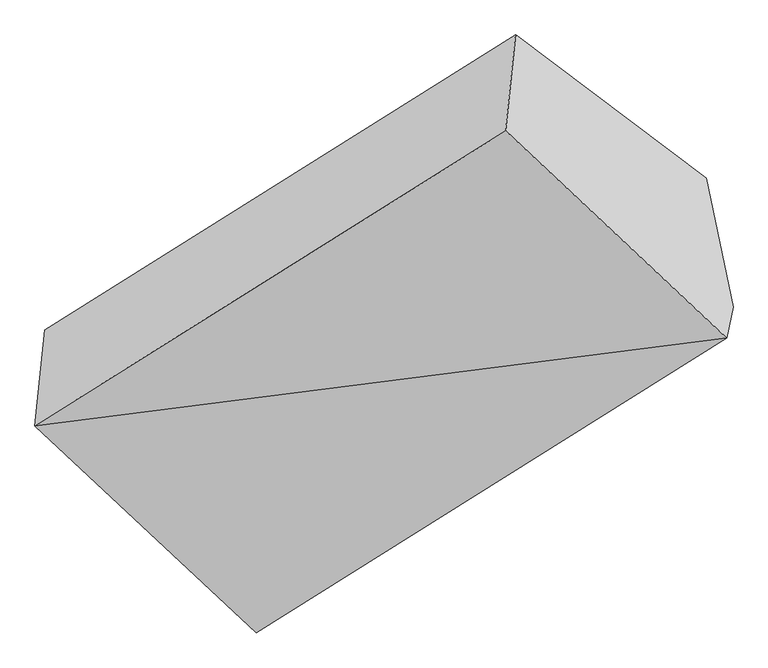
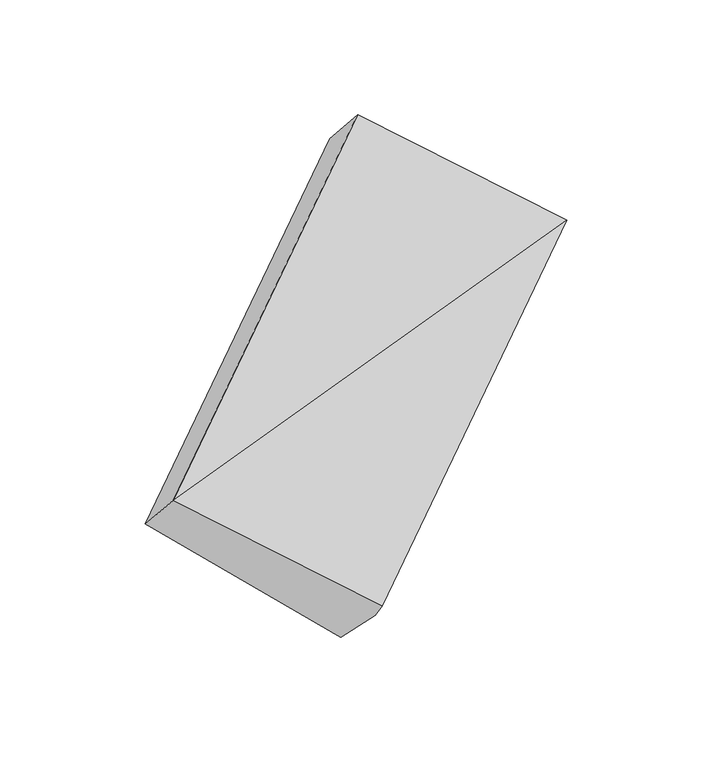
"""IFC4 building model written with IfcOpenShell, lengths in millimetres: proxy geometry."""

from ifc_helpers import new_model, si_unit, frame, origin, place, context, project, spatial, source, transform, mapped, element, save
from ifc_brep_helpers import plane_surface, spline_surface, advanced_brep


def generic_models_8c058c81(model_context):
    return source(origin(), model_context, "Body", "AdvancedBrep", [
        advanced_brep(
        [(-3799.6547781, -1488.0560551, 1505.7409263), (-3827.256792, -1754.9471611, 1791.1610119), (-2519.6303194, -935.5235339, 2683.845217), (-2492.0283054, -668.632428, 2398.4251314), (-3213.1613059, -2330.9640453, 1420.3628417), (-1905.5348332, -1511.5404181, 2313.0470467), (-3195.6586716, -2245.0103592, 1315.8248778), (-1888.0321989, -1425.586732, 2208.5090828), (-3182.4302143, -1951.3785677, 1026.9134048), (-1961.9566317, -1066.533215, 1987.2086624)],
        [
            (0, 1),
            (1, 2),
            (2, 3),
            (3, 0),
            (1, 4),
            (4, 5),
            (5, 1),
            (4, 6),
            (6, 7),
            (7, 5),
            (6, 8),
            (8, 9),
            (9, 7),
            (8, 0),
            (3, 9),
            (2, 5),
        ],
        [
            plane_surface(frame((-3813.4557851, -1621.5016081, 1648.4509691), z_axis=(-0.6760436715057667, 0.5697009501149304, 0.46733904358094125), x_axis=(-0.07046069310266453, -0.6813029064812118, 0.7286025256254232))),
            plane_surface(frame((-3520.209049, -2042.9556032, 1605.7619268), z_axis=(-0.12825776809946351, -0.6298610680840139, 0.7660450246781908), x_axis=(0.667495093598164, -0.6261053089167214, -0.4030414893887172))),
            plane_surface(frame((-3204.4099888, -2287.9872022, 1368.0938597), z_axis=(0.6674950935981874, -0.6261053089167037, -0.4030414893887058), x_axis=(0.1282577680994602, 0.6298610680840174, -0.7660450246781881))),
            spline_surface(1, 1, [[(-3195.6586716, -2245.0103592, 1315.8248778), (-1888.0321989, -1425.586732, 2208.5090828)], [(-3182.4302143, -1951.3785677, 1026.9134048), (-1961.9566317, -1066.533215, 1987.2086624)]], [2, 2], [2, 2], [0.0, 1.0], [0.0, 1.0]),
            plane_surface(frame((-3491.0424962, -1719.7173114, 1266.3271656), z_axis=(0.013116563824966121, 0.7269807478860841, -0.686532554185463), x_axis=(-0.6795790688425785, 0.5101292141650035, 0.5272006013335439))),
            plane_surface(frame((-2153.4364577, -1121.5632654, 2318.2070281), z_axis=(0.7334849998087755, 0.45963809356750884, 0.5007320421114938), x_axis=(-0.17263860587955493, 0.8385116565983973, -0.5168114873999756))),
            plane_surface(frame((-3443.6323524, -1954.0712377, 1412.0006125), z_axis=(-0.7334849998087778, -0.45963809356751223, -0.5007320421114871), x_axis=(0.679579068842576, -0.5101292141650048, -0.5272006013335455))),
            plane_surface(frame((-3827.256792, -1754.9471611, 1791.1610119), z_axis=(-0.12825776809946385, -0.6298610680840134, 0.766045024678191), x_axis=(0.6674950935981803, -0.6261053089167115, -0.4030414893887055))),
        ],
        [
            (0, [[1, 2, 3, 4]]),
            (1, [[5, 6, 7]]),
            (2, [[8, 9, 10, -6]]),
            (3, [[11, 12, 13, -9]]),
            (4, [[14, -4, 15, -12]]),
            (5, [[-13, -15, -3, 16, -10]]),
            (6, [[-14, -11, -8, -5, -1]]),
            (7, [[-16, -2, -7]]),
        ],
    ),
    ])


if __name__ == "__main__":
    model = new_model("IFC4")
    model_context = context("Model", 3, world=origin())
    ifc_project = project(units=[si_unit("LENGTHUNIT", "METRE", prefix="MILLI")], contexts=[model_context])
    site = spatial("IfcSite", under=ifc_project)
    building = spatial("IfcBuilding", under=site)
    placement = place(None, origin())
    generic_models_shape = generic_models_8c058c81(model_context)
    element("IfcBuildingElementProxy", 1, Name="Generic Models", at=placement, inside=building, context=model_context, shape_type="MappedRepresentation", body=[
        mapped(generic_models_shape, transform((0.0, 0.0, 0.0), x_axis=(1.0, 0.0, 0.0), y_axis=(0.0, 1.0, 0.0), z_axis=(0.0, 0.0, 1.0))),
    ])
    save(model, "model.ifc")
